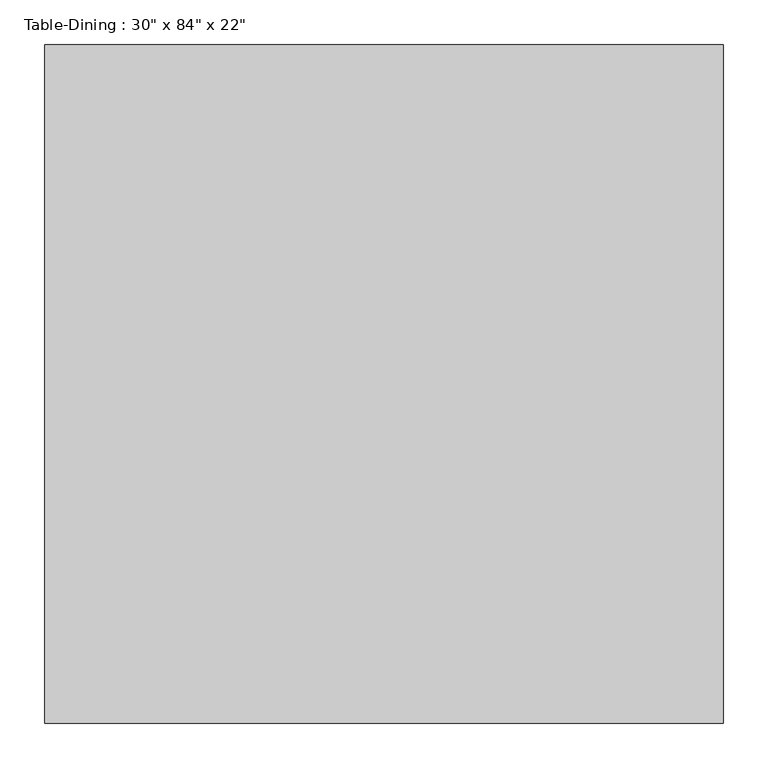
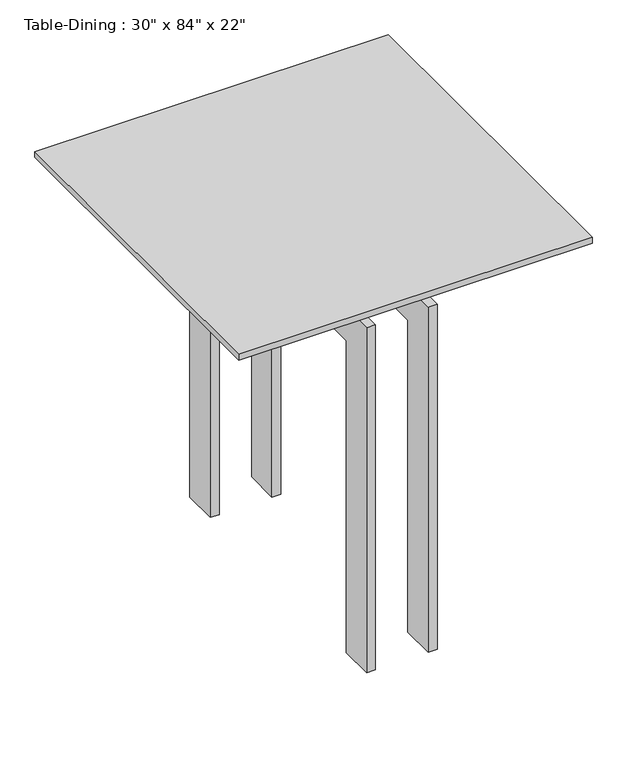
"""IFC4 building model written with IfcOpenShell, lengths in millimetres: furniture geometry."""

from ifc_helpers import new_model, si_unit, frame, origin, place, context, project, spatial, polyline, outline, extrude, source, transform, mapped, element, save


def furniture_2b579ecf(model_context):
    return source(origin(), model_context, "Body", "SweptSolid", [
        extrude(outline(polyline([(297.6657667, 297.7823857), (297.6657667, 272.3823857), (-261.1342333, 272.3823857), (-261.1342333, 297.7823857), (297.6657667, 297.7823857)])), frame((0.0, 0.0, 787.4), z_axis=(0.0, 0.0, 1.0), x_axis=(1.0, 0.0, 0.0)), (0.0, 0.0, 1.0), 63.5),
        extrude(outline(polyline([(297.6657667, -82.5889222), (297.6657667, -107.9889222), (-261.1342333, -107.9889222), (-261.1342333, -82.5889222), (297.6657667, -82.5889222)])), frame((0.0, 0.0, 787.4), z_axis=(0.0, 0.0, 1.0), x_axis=(1.0, 0.0, 0.0)), (0.0, 0.0, 1.0), 63.5),
        extrude(outline(polyline([(425.4110778, 0.0), (349.2110778, 0.0), (349.2110778, 711.2), (-158.7889222, 711.2), (-158.7889222, 0.0), (-234.9889222, 0.0), (-234.9889222, 787.4), (425.4110778, 787.4), (425.4110778, 0.0)])), frame((75.4157667, 0.0, 0.0), z_axis=(1.0, 0.0, 0.0), x_axis=(0.0, 1.0, 0.0)), (0.0, 0.0, 1.0), 19.05),
        extrude(outline(polyline([(425.4110778, 787.4), (425.4110778, 0.0), (349.2110778, 0.0), (349.2110778, 711.2), (-158.7889222, 711.2), (-158.7889222, 0.0), (-234.9889222, 0.0), (-234.9889222, 787.4), (425.4110778, 787.4)])), frame((-57.9342333, 0.0, 0.0), z_axis=(1.0, 0.0, 0.0), x_axis=(0.0, 1.0, 0.0)), (0.0, 0.0, 1.0), 19.05),
        extrude(outline(polyline([(399.2657667, 476.2110778), (399.2657667, -285.7889222), (-362.7342333, -285.7889222), (-362.7342333, 476.2110778), (399.2657667, 476.2110778)])), frame((0.0, 0.0, 850.9), z_axis=(0.0, 0.0, 1.0), x_axis=(1.0, 0.0, 0.0)), (0.0, 0.0, 1.0), 12.7),
    ])


if __name__ == "__main__":
    model = new_model("IFC4")
    model_context = context("Model", 3, world=origin())
    ifc_project = project(units=[si_unit("LENGTHUNIT", "METRE", prefix="MILLI")], contexts=[model_context])
    site = spatial("IfcSite", under=ifc_project)
    building = spatial("IfcBuilding", under=site)
    placement = place(None, origin())
    furniture_shape = furniture_2b579ecf(model_context)
    element("IfcFurniture", 1, ObjectType="Table-Dining : 30\" x 84\" x 22\"", at=placement, inside=building, context=model_context, shape_type="MappedRepresentation", body=[
        mapped(furniture_shape, transform((0.0, 0.0, 0.0), x_axis=(1.0, 0.0, 0.0), y_axis=(0.0, 1.0, 0.0), z_axis=(0.0, 0.0, 1.0))),
    ])
    save(model, "model.ifc")
